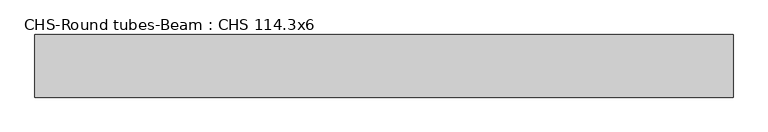
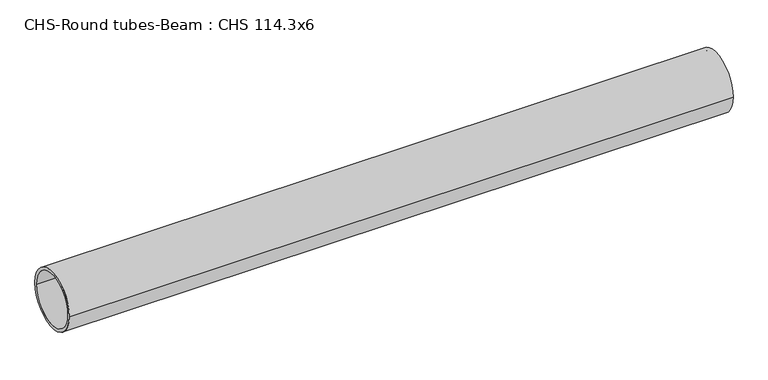
"""IFC4 building model written with IfcOpenShell, lengths in millimetres: beam geometry, CHS-Round tubes-Beam : CHS 114.3x6."""

from ifc_helpers import new_model, si_unit, point, frame, origin, origin_2d, place, context, project, spatial, circle_curve, trimmed, segment, composite_curve, outline, extrude, source, transform, mapped, element, save


def chs_round_tubes_beam_chs_114_3x6_a7e8dda0(model_context):
    return source(origin(), model_context, "Body", "SweptSolid", [
        extrude(outline(composite_curve([segment(trimmed(circle_curve(origin_2d(), 57.15), [point((57.15, 0.0))], [point((-57.15, 0.0))], False, "CARTESIAN"), True, "CONTINUOUS"), segment(trimmed(circle_curve(origin_2d(), 57.15), [point((-57.15, 0.0))], [point((57.15, 0.0))], False, "CARTESIAN"), True, "CONTINUOUS")], self_intersect=False), holes=[composite_curve([segment(trimmed(circle_curve(origin_2d(), 51.15), [point((51.15, 0.0))], [point((-51.15, 0.0))], True, "CARTESIAN"), True, "CONTINUOUS"), segment(trimmed(circle_curve(origin_2d(), 51.15), [point((-51.15, 0.0))], [point((51.15, 0.0))], True, "CARTESIAN"), True, "CONTINUOUS")], self_intersect=False)]), frame((-634.5786648, 0.0, 0.0), z_axis=(1.0, 0.0, 0.0), x_axis=(0.0, 1.0, 0.0)), (0.0, 0.0, 1.0), 1274.3500873),
    ])


if __name__ == "__main__":
    model = new_model("IFC4")
    model_context = context("Model", 3, world=origin())
    ifc_project = project(units=[si_unit("LENGTHUNIT", "METRE", prefix="MILLI")], contexts=[model_context])
    site = spatial("IfcSite", under=ifc_project)
    building = spatial("IfcBuilding", under=site)
    placement = place(None, origin())
    chs_round_tubes_beam_chs_114_3x6_shape = chs_round_tubes_beam_chs_114_3x6_a7e8dda0(model_context)
    element("IfcBeam", 1, ObjectType="CHS-Round tubes-Beam : CHS 114.3x6", at=placement, inside=building, context=model_context, shape_type="MappedRepresentation", body=[
        mapped(chs_round_tubes_beam_chs_114_3x6_shape, transform((0.0, 0.0, 0.0), x_axis=(1.0, 0.0, 0.0), y_axis=(0.0, 1.0, 0.0), z_axis=(0.0, 0.0, 1.0))),
    ])
    save(model, "model.ifc")
